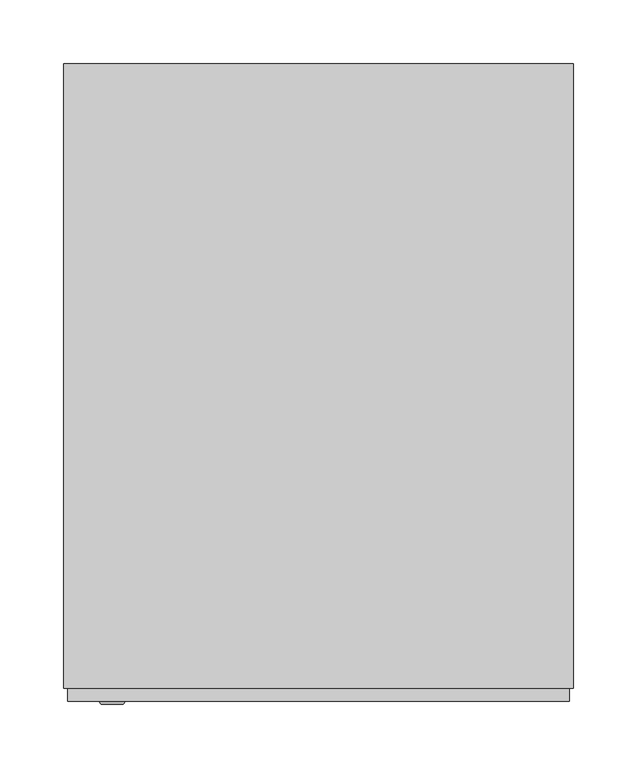
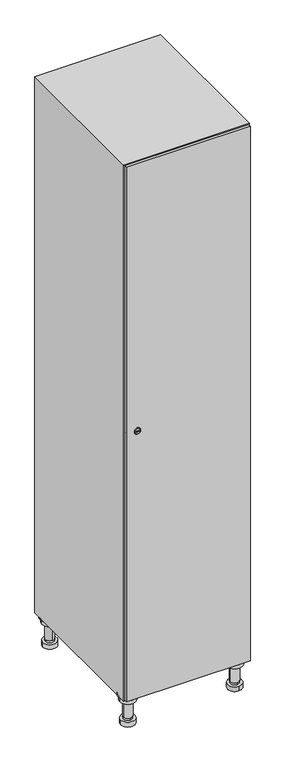
"""IFC4 building model written with IfcOpenShell, lengths in millimetres: furniture geometry."""

from ifc_helpers import new_model, si_unit, point, frame, frame_2d, origin, place, context, project, spatial, polyline, circle_curve, trimmed, segment, composite_curve, outline, extrude, faceted_brep, source, transform, mapped, element, save
from ifc_brep_helpers import plane_surface, cylinder_surface, revolved_surface, advanced_brep


def furniture_05954bba(model_context):
    return source(origin(), model_context, "Body", "SolidModel", [
        advanced_brep(
        [(170.0, -201.0, 22.0), (170.0, -201.5, 16.0), (170.0, -228.5, 16.0), (170.0, -229.0, 22.0), (156.0, -215.0, 22.0), (184.0, -215.0, 22.0), (170.0, -192.5, 16.0), (170.0, -237.5, 16.0), (170.0, -192.5, 0.0), (170.0, -237.5, 0.0), (184.0, -215.0, 78.0), (156.0, -215.0, 78.0), (195.0, -215.0, 78.0), (145.0, -215.0, 78.0), (200.0, -215.0, 94.0), (140.0, -215.0, 94.0), (145.0, -215.0, 94.0), (195.0, -215.0, 94.0), (200.0, -215.0, 100.0), (140.0, -215.0, 100.0)],
        [
            (0, 1),
            (1, 2, circle_curve(frame((170.0, -215.0, 16.0), z_axis=(0.0, 0.0, 1.0), x_axis=(0.0, -1.0, 0.0)), 13.5)),
            (2, 3),
            (3, 4, circle_curve(frame((170.0, -215.0, 22.0), z_axis=(0.0, 0.0, -1.0), x_axis=(0.0, -1.0, 0.0)), 14.0)),
            (4, 0, circle_curve(frame((170.0, -215.0, 22.0), z_axis=(0.0, 0.0, -1.0), x_axis=(0.0, -1.0, 0.0)), 14.0)),
            (0, 5, circle_curve(frame((170.0, -215.0, 22.0), z_axis=(0.0, 0.0, -1.0), x_axis=(0.0, 1.0, 0.0)), 14.0)),
            (5, 3, circle_curve(frame((170.0, -215.0, 22.0), z_axis=(0.0, 0.0, -1.0), x_axis=(0.0, 1.0, 0.0)), 14.0)),
            (2, 1, circle_curve(frame((170.0, -215.0, 16.0), z_axis=(0.0, 0.0, 1.0), x_axis=(0.0, 1.0, 0.0)), 13.5)),
            (6, 7, circle_curve(frame((170.0, -215.0, 16.0), z_axis=(0.0, 0.0, 1.0), x_axis=(0.0, -1.0, 0.0)), 22.5)),
            (7, 6, circle_curve(frame((170.0, -215.0, 16.0), z_axis=(0.0, 0.0, 1.0), x_axis=(0.0, -1.0, 0.0)), 22.5)),
            (8, 9, circle_curve(frame((170.0, -215.0, 0.0), z_axis=(0.0, 0.0, -1.0), x_axis=(0.0, -1.0, 0.0)), 22.5)),
            (9, 8, circle_curve(frame((170.0, -215.0, 0.0), z_axis=(0.0, 0.0, -1.0), x_axis=(0.0, -1.0, 0.0)), 22.5)),
            (6, 8),
            (9, 7),
            (5, 10),
            (10, 11, circle_curve(frame((170.0, -215.0, 78.0), z_axis=(0.0, 0.0, -1.0), x_axis=(-1.0, 0.0, 0.0)), 14.0)),
            (11, 4),
            (11, 10, circle_curve(frame((170.0, -215.0, 78.0), z_axis=(0.0, 0.0, -1.0), x_axis=(-1.0, 0.0, 0.0)), 14.0)),
            (12, 13, circle_curve(frame((170.0, -215.0, 78.0), z_axis=(0.0, 0.0, -1.0), x_axis=(-1.0, 0.0, 0.0)), 25.0)),
            (13, 12, circle_curve(frame((170.0, -215.0, 78.0), z_axis=(0.0, 0.0, -1.0), x_axis=(-1.0, 0.0, 0.0)), 25.0)),
            (14, 15, circle_curve(frame((170.0, -215.0, 94.0), z_axis=(0.0, 0.0, -1.0), x_axis=(-1.0, 0.0, 0.0)), 30.0)),
            (15, 14, circle_curve(frame((170.0, -215.0, 94.0), z_axis=(0.0, 0.0, -1.0), x_axis=(-1.0, 0.0, 0.0)), 30.0)),
            (16, 17, circle_curve(frame((170.0, -215.0, 94.0), z_axis=(0.0, 0.0, 1.0), x_axis=(-1.0, 0.0, 0.0)), 25.0)),
            (17, 16, circle_curve(frame((170.0, -215.0, 94.0), z_axis=(0.0, 0.0, 1.0), x_axis=(-1.0, 0.0, 0.0)), 25.0)),
            (18, 19, circle_curve(frame((170.0, -215.0, 100.0), z_axis=(0.0, 0.0, 1.0), x_axis=(-1.0, 0.0, 0.0)), 30.0)),
            (19, 18, circle_curve(frame((170.0, -215.0, 100.0), z_axis=(0.0, 0.0, 1.0), x_axis=(-1.0, 0.0, 0.0)), 30.0)),
            (14, 18),
            (19, 15),
            (12, 17),
            (16, 13),
        ],
        [
            revolved_surface(polyline([(170.0, -201.5, 16.0), (170.0, -201.0, 22.0)]), (170.0, -215.0, -146.0), (0.0, 0.0, 1.0)),
            plane_surface(frame((170.0, 0.0, 16.0), z_axis=(0.0, 0.0, 1.0), x_axis=(0.0, -1.0, 0.0))),
            plane_surface(frame((170.0, 0.0, 0.0), z_axis=(0.0, 0.0, -1.0), x_axis=(0.0, -1.0, 0.0))),
            cylinder_surface(frame((170.0, -215.0, 16.0), z_axis=(0.0, 0.0, 1.0), x_axis=(0.0, -1.0, 0.0)), 22.5),
            cylinder_surface(frame((170.0, -215.0, 22.0), z_axis=(0.0, 0.0, -1.0), x_axis=(-1.0, 0.0, 0.0)), 14.0),
            plane_surface(frame((170.0, 0.0, 78.0), z_axis=(0.0, 0.0, -1.0), x_axis=(0.0, -1.0, 0.0))),
            plane_surface(frame((170.0, 0.0, 94.0), z_axis=(0.0, 0.0, -1.0), x_axis=(0.0, -1.0, 0.0))),
            plane_surface(frame((170.0, 0.0, 100.0), z_axis=(0.0, 0.0, 1.0), x_axis=(0.0, -1.0, 0.0))),
            cylinder_surface(frame((170.0, -215.0, 94.0), z_axis=(0.0, 0.0, -1.0), x_axis=(-1.0, 0.0, 0.0)), 30.0),
            cylinder_surface(frame((170.0, -215.0, 78.0), z_axis=(0.0, 0.0, -1.0), x_axis=(-1.0, 0.0, 0.0)), 25.0),
        ],
        [
            (0, [[1, 2, 3, 4, 5]]),
            (0, [[-1, 6, 7, -3, 8]]),
            (1, [[9, 10], [-2, -8]]),
            (2, [[11, 12]]),
            (3, [[-9, 13, -12, 14]]),
            (3, [[-10, -14, -11, -13]]),
            (4, [[15, 16, 17, -4, -7]]),
            (4, [[-15, -6, -5, -17, 18]]),
            (5, [[19, 20], [-16, -18]]),
            (6, [[21, 22], [23, 24]]),
            (7, [[25, 26]]),
            (8, [[-21, 27, -26, 28]]),
            (8, [[-22, -28, -25, -27]]),
            (9, [[-19, 29, -23, 30]]),
            (9, [[-20, -30, -24, -29]]),
        ],
    ),
        advanced_brep(
        [(-170.0, -201.0, 22.0), (-170.0, -201.5, 16.0), (-170.0, -228.5, 16.0), (-170.0, -229.0, 22.0), (-184.0, -215.0, 22.0), (-156.0, -215.0, 22.0), (-147.5, -215.0, 0.0), (-192.5, -215.0, 0.0), (-147.5, -215.0, 16.0), (-192.5, -215.0, 16.0), (-156.0, -215.0, 78.0), (-184.0, -215.0, 78.0), (-145.0, -215.0, 78.0), (-195.0, -215.0, 78.0), (-140.0, -215.0, 94.0), (-200.0, -215.0, 94.0), (-195.0, -215.0, 94.0), (-145.0, -215.0, 94.0), (-140.0, -215.0, 100.0), (-200.0, -215.0, 100.0)],
        [
            (0, 1),
            (1, 2, circle_curve(frame((-170.0, -215.0, 16.0), z_axis=(0.0, 0.0, 1.0), x_axis=(0.0, -1.0, 0.0)), 13.5)),
            (2, 3),
            (3, 4, circle_curve(frame((-170.0, -215.0, 22.0), z_axis=(0.0, 0.0, -1.0), x_axis=(0.0, -1.0, 0.0)), 14.0)),
            (4, 0, circle_curve(frame((-170.0, -215.0, 22.0), z_axis=(0.0, 0.0, -1.0), x_axis=(0.0, -1.0, 0.0)), 14.0)),
            (0, 5, circle_curve(frame((-170.0, -215.0, 22.0), z_axis=(0.0, 0.0, -1.0), x_axis=(0.0, 1.0, 0.0)), 14.0)),
            (5, 3, circle_curve(frame((-170.0, -215.0, 22.0), z_axis=(0.0, 0.0, -1.0), x_axis=(0.0, 1.0, 0.0)), 14.0)),
            (2, 1, circle_curve(frame((-170.0, -215.0, 16.0), z_axis=(0.0, 0.0, 1.0), x_axis=(0.0, 1.0, 0.0)), 13.5)),
            (6, 7, circle_curve(frame((-170.0, -215.0, 0.0), z_axis=(0.0, 0.0, -1.0), x_axis=(-1.0, 0.0, 0.0)), 22.5)),
            (7, 6, circle_curve(frame((-170.0, -215.0, 0.0), z_axis=(0.0, 0.0, -1.0), x_axis=(-1.0, 0.0, 0.0)), 22.5)),
            (8, 9, circle_curve(frame((-170.0, -215.0, 16.0), z_axis=(0.0, 0.0, 1.0), x_axis=(-1.0, 0.0, 0.0)), 22.5)),
            (9, 8, circle_curve(frame((-170.0, -215.0, 16.0), z_axis=(0.0, 0.0, 1.0), x_axis=(-1.0, 0.0, 0.0)), 22.5)),
            (6, 8),
            (9, 7),
            (5, 10),
            (10, 11, circle_curve(frame((-170.0, -215.0, 78.0), z_axis=(0.0, 0.0, -1.0), x_axis=(-1.0, 0.0, 0.0)), 14.0)),
            (11, 4),
            (11, 10, circle_curve(frame((-170.0, -215.0, 78.0), z_axis=(0.0, 0.0, -1.0), x_axis=(-1.0, 0.0, 0.0)), 14.0)),
            (12, 13, circle_curve(frame((-170.0, -215.0, 78.0), z_axis=(0.0, 0.0, -1.0), x_axis=(-1.0, 0.0, 0.0)), 25.0)),
            (13, 12, circle_curve(frame((-170.0, -215.0, 78.0), z_axis=(0.0, 0.0, -1.0), x_axis=(-1.0, 0.0, 0.0)), 25.0)),
            (14, 15, circle_curve(frame((-170.0, -215.0, 94.0), z_axis=(0.0, 0.0, -1.0), x_axis=(-1.0, 0.0, 0.0)), 30.0)),
            (15, 14, circle_curve(frame((-170.0, -215.0, 94.0), z_axis=(0.0, 0.0, -1.0), x_axis=(-1.0, 0.0, 0.0)), 30.0)),
            (16, 17, circle_curve(frame((-170.0, -215.0, 94.0), z_axis=(0.0, 0.0, 1.0), x_axis=(-1.0, 0.0, 0.0)), 25.0)),
            (17, 16, circle_curve(frame((-170.0, -215.0, 94.0), z_axis=(0.0, 0.0, 1.0), x_axis=(-1.0, 0.0, 0.0)), 25.0)),
            (18, 19, circle_curve(frame((-170.0, -215.0, 100.0), z_axis=(0.0, 0.0, 1.0), x_axis=(-1.0, 0.0, 0.0)), 30.0)),
            (19, 18, circle_curve(frame((-170.0, -215.0, 100.0), z_axis=(0.0, 0.0, 1.0), x_axis=(-1.0, 0.0, 0.0)), 30.0)),
            (14, 18),
            (19, 15),
            (12, 17),
            (16, 13),
        ],
        [
            revolved_surface(polyline([(-170.0, -201.5, 16.0), (-170.0, -201.0, 22.0)]), (-170.0, -215.0, -146.0), (0.0, 0.0, 1.0)),
            plane_surface(frame((-170.0, 0.0, 0.0), z_axis=(0.0, 0.0, -1.0), x_axis=(0.0, -1.0, 0.0))),
            plane_surface(frame((-170.0, 0.0, 16.0), z_axis=(0.0, 0.0, 1.0), x_axis=(0.0, -1.0, 0.0))),
            cylinder_surface(frame((-170.0, -215.0, 0.0), z_axis=(0.0, 0.0, -1.0), x_axis=(-1.0, 0.0, 0.0)), 22.5),
            cylinder_surface(frame((-170.0, -215.0, 22.0), z_axis=(0.0, 0.0, -1.0), x_axis=(-1.0, 0.0, 0.0)), 14.0),
            plane_surface(frame((-170.0, 0.0, 78.0), z_axis=(0.0, 0.0, -1.0), x_axis=(0.0, -1.0, 0.0))),
            plane_surface(frame((-170.0, 0.0, 94.0), z_axis=(0.0, 0.0, -1.0), x_axis=(0.0, -1.0, 0.0))),
            plane_surface(frame((-170.0, 0.0, 100.0), z_axis=(0.0, 0.0, 1.0), x_axis=(0.0, -1.0, 0.0))),
            cylinder_surface(frame((-170.0, -215.0, 94.0), z_axis=(0.0, 0.0, -1.0), x_axis=(-1.0, 0.0, 0.0)), 30.0),
            cylinder_surface(frame((-170.0, -215.0, 78.0), z_axis=(0.0, 0.0, -1.0), x_axis=(-1.0, 0.0, 0.0)), 25.0),
        ],
        [
            (0, [[1, 2, 3, 4, 5]]),
            (0, [[-1, 6, 7, -3, 8]]),
            (1, [[9, 10]]),
            (2, [[11, 12], [-2, -8]]),
            (3, [[-9, 13, -12, 14]]),
            (3, [[-10, -14, -11, -13]]),
            (4, [[15, 16, 17, -4, -7]]),
            (4, [[-15, -6, -5, -17, 18]]),
            (5, [[19, 20], [-16, -18]]),
            (6, [[21, 22], [23, 24]]),
            (7, [[25, 26]]),
            (8, [[-21, 27, -26, 28]]),
            (8, [[-22, -28, -25, -27]]),
            (9, [[-19, 29, -23, 30]]),
            (9, [[-20, -30, -24, -29]]),
        ],
    ),
        advanced_brep(
        [(183.5, 215.0, 16.0), (184.0, 215.0, 22.0), (156.0, 215.0, 22.0), (156.5, 215.0, 16.0), (192.5, 215.0, 0.0), (147.5, 215.0, 0.0), (192.5, 215.0, 16.0), (147.5, 215.0, 16.0), (184.0, 215.0, 78.0), (156.0, 215.0, 78.0), (195.0, 215.0, 78.0), (145.0, 215.0, 78.0), (200.0, 215.0, 94.0), (140.0, 215.0, 94.0), (145.0, 215.0, 94.0), (195.0, 215.0, 94.0), (200.0, 215.0, 100.0), (140.0, 215.0, 100.0)],
        [
            (0, 1),
            (1, 2, circle_curve(frame((170.0, 215.0, 22.0), z_axis=(0.0, 0.0, -1.0), x_axis=(-1.0, 0.0, 0.0)), 14.0)),
            (2, 3),
            (3, 0, circle_curve(frame((170.0, 215.0, 16.0), z_axis=(0.0, 0.0, 1.0), x_axis=(-1.0, 0.0, 0.0)), 13.5)),
            (0, 3, circle_curve(frame((170.0, 215.0, 16.0), z_axis=(0.0, 0.0, 1.0), x_axis=(1.0, 0.0, 0.0)), 13.5)),
            (2, 1, circle_curve(frame((170.0, 215.0, 22.0), z_axis=(0.0, 0.0, -1.0), x_axis=(1.0, 0.0, 0.0)), 14.0)),
            (4, 5, circle_curve(frame((170.0, 215.0, 0.0), z_axis=(0.0, 0.0, -1.0), x_axis=(-1.0, 0.0, 0.0)), 22.5)),
            (5, 4, circle_curve(frame((170.0, 215.0, 0.0), z_axis=(0.0, 0.0, -1.0), x_axis=(-1.0, 0.0, 0.0)), 22.5)),
            (6, 7, circle_curve(frame((170.0, 215.0, 16.0), z_axis=(0.0, 0.0, 1.0), x_axis=(-1.0, 0.0, 0.0)), 22.5)),
            (7, 6, circle_curve(frame((170.0, 215.0, 16.0), z_axis=(0.0, 0.0, 1.0), x_axis=(-1.0, 0.0, 0.0)), 22.5)),
            (4, 6),
            (7, 5),
            (1, 8),
            (8, 9, circle_curve(frame((170.0, 215.0, 78.0), z_axis=(0.0, 0.0, -1.0), x_axis=(-1.0, 0.0, 0.0)), 14.0)),
            (9, 2),
            (9, 8, circle_curve(frame((170.0, 215.0, 78.0), z_axis=(0.0, 0.0, -1.0), x_axis=(-1.0, 0.0, 0.0)), 14.0)),
            (10, 11, circle_curve(frame((170.0, 215.0, 78.0), z_axis=(0.0, 0.0, -1.0), x_axis=(-1.0, 0.0, 0.0)), 25.0)),
            (11, 10, circle_curve(frame((170.0, 215.0, 78.0), z_axis=(0.0, 0.0, -1.0), x_axis=(-1.0, 0.0, 0.0)), 25.0)),
            (12, 13, circle_curve(frame((170.0, 215.0, 94.0), z_axis=(0.0, 0.0, -1.0), x_axis=(-1.0, 0.0, 0.0)), 30.0)),
            (13, 12, circle_curve(frame((170.0, 215.0, 94.0), z_axis=(0.0, 0.0, -1.0), x_axis=(-1.0, 0.0, 0.0)), 30.0)),
            (14, 15, circle_curve(frame((170.0, 215.0, 94.0), z_axis=(0.0, 0.0, 1.0), x_axis=(-1.0, 0.0, 0.0)), 25.0)),
            (15, 14, circle_curve(frame((170.0, 215.0, 94.0), z_axis=(0.0, 0.0, 1.0), x_axis=(-1.0, 0.0, 0.0)), 25.0)),
            (16, 17, circle_curve(frame((170.0, 215.0, 100.0), z_axis=(0.0, 0.0, 1.0), x_axis=(-1.0, 0.0, 0.0)), 30.0)),
            (17, 16, circle_curve(frame((170.0, 215.0, 100.0), z_axis=(0.0, 0.0, 1.0), x_axis=(-1.0, 0.0, 0.0)), 30.0)),
            (12, 16),
            (17, 13),
            (10, 15),
            (14, 11),
        ],
        [
            revolved_surface(polyline([(183.5, 215.0, 16.0), (184.0, 215.0, 22.0)]), (170.0, 215.0, -146.0), (0.0, 0.0, 1.0)),
            plane_surface(frame((170.0, 0.0, 0.0), z_axis=(0.0, 0.0, -1.0), x_axis=(0.0, -1.0, 0.0))),
            plane_surface(frame((170.0, 0.0, 16.0), z_axis=(0.0, 0.0, 1.0), x_axis=(0.0, -1.0, 0.0))),
            cylinder_surface(frame((170.0, 215.0, 0.0), z_axis=(0.0, 0.0, -1.0), x_axis=(-1.0, 0.0, 0.0)), 22.5),
            cylinder_surface(frame((170.0, 215.0, 22.0), z_axis=(0.0, 0.0, -1.0), x_axis=(-1.0, 0.0, 0.0)), 14.0),
            plane_surface(frame((170.0, 0.0, 78.0), z_axis=(0.0, 0.0, -1.0), x_axis=(0.0, -1.0, 0.0))),
            plane_surface(frame((170.0, 0.0, 94.0), z_axis=(0.0, 0.0, -1.0), x_axis=(0.0, -1.0, 0.0))),
            plane_surface(frame((170.0, 0.0, 100.0), z_axis=(0.0, 0.0, 1.0), x_axis=(0.0, -1.0, 0.0))),
            cylinder_surface(frame((170.0, 215.0, 94.0), z_axis=(0.0, 0.0, -1.0), x_axis=(-1.0, 0.0, 0.0)), 30.0),
            cylinder_surface(frame((170.0, 215.0, 78.0), z_axis=(0.0, 0.0, -1.0), x_axis=(-1.0, 0.0, 0.0)), 25.0),
        ],
        [
            (0, [[1, 2, 3, 4]]),
            (0, [[-1, 5, -3, 6]]),
            (1, [[7, 8]]),
            (2, [[9, 10], [-4, -5]]),
            (3, [[-7, 11, -10, 12]]),
            (3, [[-8, -12, -9, -11]]),
            (4, [[13, 14, 15, -2]]),
            (4, [[-13, -6, -15, 16]]),
            (5, [[17, 18], [-14, -16]]),
            (6, [[19, 20], [21, 22]]),
            (7, [[23, 24]]),
            (8, [[-19, 25, -24, 26]]),
            (8, [[-20, -26, -23, -25]]),
            (9, [[-17, 27, -21, 28]]),
            (9, [[-18, -28, -22, -27]]),
        ],
    ),
        advanced_brep(
        [(-156.5, 215.0, 16.0), (-156.0, 215.0, 22.0), (-170.0, 201.0, 22.0), (-184.0, 215.0, 22.0), (-183.5, 215.0, 16.0), (-170.0, 229.0, 22.0), (-147.5, 215.0, 0.0), (-192.5, 215.0, 0.0), (-147.5, 215.0, 16.0), (-192.5, 215.0, 16.0), (-170.0, 229.0, 78.0), (-170.0, 201.0, 78.0), (-145.0, 215.0, 78.0), (-195.0, 215.0, 78.0), (-140.0, 215.0, 94.0), (-200.0, 215.0, 94.0), (-195.0, 215.0, 94.0), (-145.0, 215.0, 94.0), (-140.0, 215.0, 100.0), (-200.0, 215.0, 100.0)],
        [
            (0, 1),
            (1, 2, circle_curve(frame((-170.0, 215.0, 22.0), z_axis=(0.0, 0.0, -1.0), x_axis=(-1.0, 0.0, 0.0)), 14.0)),
            (2, 3, circle_curve(frame((-170.0, 215.0, 22.0), z_axis=(0.0, 0.0, -1.0), x_axis=(-1.0, 0.0, 0.0)), 14.0)),
            (3, 4),
            (4, 0, circle_curve(frame((-170.0, 215.0, 16.0), z_axis=(0.0, 0.0, 1.0), x_axis=(-1.0, 0.0, 0.0)), 13.5)),
            (0, 4, circle_curve(frame((-170.0, 215.0, 16.0), z_axis=(0.0, 0.0, 1.0), x_axis=(1.0, 0.0, 0.0)), 13.5)),
            (3, 5, circle_curve(frame((-170.0, 215.0, 22.0), z_axis=(0.0, 0.0, -1.0), x_axis=(1.0, 0.0, 0.0)), 14.0)),
            (5, 1, circle_curve(frame((-170.0, 215.0, 22.0), z_axis=(0.0, 0.0, -1.0), x_axis=(1.0, 0.0, 0.0)), 14.0)),
            (6, 7, circle_curve(frame((-170.0, 215.0, 0.0), z_axis=(0.0, 0.0, -1.0), x_axis=(-1.0, 0.0, 0.0)), 22.5)),
            (7, 6, circle_curve(frame((-170.0, 215.0, 0.0), z_axis=(0.0, 0.0, -1.0), x_axis=(-1.0, 0.0, 0.0)), 22.5)),
            (8, 9, circle_curve(frame((-170.0, 215.0, 16.0), z_axis=(0.0, 0.0, 1.0), x_axis=(-1.0, 0.0, 0.0)), 22.5)),
            (9, 8, circle_curve(frame((-170.0, 215.0, 16.0), z_axis=(0.0, 0.0, 1.0), x_axis=(-1.0, 0.0, 0.0)), 22.5)),
            (6, 8),
            (9, 7),
            (10, 5),
            (2, 11),
            (11, 10, circle_curve(frame((-170.0, 215.0, 78.0), z_axis=(0.0, 0.0, -1.0), x_axis=(0.0, -1.0, 0.0)), 14.0)),
            (10, 11, circle_curve(frame((-170.0, 215.0, 78.0), z_axis=(0.0, 0.0, -1.0), x_axis=(0.0, -1.0, 0.0)), 14.0)),
            (12, 13, circle_curve(frame((-170.0, 215.0, 78.0), z_axis=(0.0, 0.0, -1.0), x_axis=(-1.0, 0.0, 0.0)), 25.0)),
            (13, 12, circle_curve(frame((-170.0, 215.0, 78.0), z_axis=(0.0, 0.0, -1.0), x_axis=(-1.0, 0.0, 0.0)), 25.0)),
            (14, 15, circle_curve(frame((-170.0, 215.0, 94.0), z_axis=(0.0, 0.0, -1.0), x_axis=(-1.0, 0.0, 0.0)), 30.0)),
            (15, 14, circle_curve(frame((-170.0, 215.0, 94.0), z_axis=(0.0, 0.0, -1.0), x_axis=(-1.0, 0.0, 0.0)), 30.0)),
            (16, 17, circle_curve(frame((-170.0, 215.0, 94.0), z_axis=(0.0, 0.0, 1.0), x_axis=(-1.0, 0.0, 0.0)), 25.0)),
            (17, 16, circle_curve(frame((-170.0, 215.0, 94.0), z_axis=(0.0, 0.0, 1.0), x_axis=(-1.0, 0.0, 0.0)), 25.0)),
            (18, 19, circle_curve(frame((-170.0, 215.0, 100.0), z_axis=(0.0, 0.0, 1.0), x_axis=(-1.0, 0.0, 0.0)), 30.0)),
            (19, 18, circle_curve(frame((-170.0, 215.0, 100.0), z_axis=(0.0, 0.0, 1.0), x_axis=(-1.0, 0.0, 0.0)), 30.0)),
            (14, 18),
            (19, 15),
            (12, 17),
            (16, 13),
        ],
        [
            revolved_surface(polyline([(-156.5, 215.0, 16.0), (-156.0, 215.0, 22.0)]), (-170.0, 215.0, -146.0), (0.0, 0.0, 1.0)),
            plane_surface(frame((-170.0, 0.0, 0.0), z_axis=(0.0, 0.0, -1.0), x_axis=(0.0, -1.0, 0.0))),
            plane_surface(frame((-170.0, 0.0, 16.0), z_axis=(0.0, 0.0, 1.0), x_axis=(0.0, -1.0, 0.0))),
            cylinder_surface(frame((-170.0, 215.0, 0.0), z_axis=(0.0, 0.0, -1.0), x_axis=(-1.0, 0.0, 0.0)), 22.5),
            cylinder_surface(frame((-170.0, 215.0, 78.0), z_axis=(0.0, 0.0, 1.0), x_axis=(0.0, -1.0, 0.0)), 14.0),
            plane_surface(frame((-170.0, 0.0, 78.0), z_axis=(0.0, 0.0, -1.0), x_axis=(0.0, -1.0, 0.0))),
            plane_surface(frame((-170.0, 0.0, 94.0), z_axis=(0.0, 0.0, -1.0), x_axis=(0.0, -1.0, 0.0))),
            plane_surface(frame((-170.0, 0.0, 100.0), z_axis=(0.0, 0.0, 1.0), x_axis=(0.0, -1.0, 0.0))),
            cylinder_surface(frame((-170.0, 215.0, 94.0), z_axis=(0.0, 0.0, -1.0), x_axis=(-1.0, 0.0, 0.0)), 30.0),
            cylinder_surface(frame((-170.0, 215.0, 78.0), z_axis=(0.0, 0.0, -1.0), x_axis=(-1.0, 0.0, 0.0)), 25.0),
        ],
        [
            (0, [[1, 2, 3, 4, 5]]),
            (0, [[-1, 6, -4, 7, 8]]),
            (1, [[9, 10]]),
            (2, [[11, 12], [-5, -6]]),
            (3, [[-9, 13, -12, 14]]),
            (3, [[-10, -14, -11, -13]]),
            (4, [[15, -7, -3, 16, 17]]),
            (4, [[-15, 18, -16, -2, -8]]),
            (5, [[19, 20], [-17, -18]]),
            (6, [[21, 22], [23, 24]]),
            (7, [[25, 26]]),
            (8, [[-21, 27, -26, 28]]),
            (8, [[-22, -28, -25, -27]]),
            (9, [[-19, 29, -23, 30]]),
            (9, [[-20, -30, -24, -29]]),
        ],
    ),
        extrude(outline(composite_curve([segment(trimmed(circle_curve(frame_2d((1000.0, -188.7989466)), 7.0), [point((1007.0, -188.7989466))], [point((993.0, -188.7989466))], False, "CARTESIAN"), True, "CONTINUOUS"), segment(polyline([(993.0, -188.7989466), (993.0, -160.7989466)]), True, "CONTINUOUS"), segment(trimmed(circle_curve(frame_2d((1000.0, -160.7989466)), 7.0), [point((993.0, -160.7989466))], [point((1007.0, -160.7989466))], False, "CARTESIAN"), True, "CONTINUOUS"), segment(polyline([(1007.0, -160.7989466), (1007.0, -188.7989466)]), True, "CONTINUOUS")], self_intersect=False)), frame((0.0, -245.0, 0.0), z_axis=(0.0, 1.0, 0.0), x_axis=(0.0, 0.0, 1.0)), (0.0, 0.0, 1.0), 2.0),
        advanced_brep(
        [(-153.5, -257.2, 1000.0), (-170.5, -257.2, 1000.0), (-167.0, -257.2, 998.75), (-167.0, -257.2, 1001.25), (-157.0, -257.2, 1001.25), (-157.0, -257.2, 998.75), (-151.5, -255.0, 1000.0), (-172.5, -255.0, 1000.0), (-167.0, -255.0, 1001.25), (-167.0, -255.0, 998.75), (-157.0, -255.0, 998.75), (-157.0, -255.0, 1001.25)],
        [
            (0, 1, circle_curve(frame((-162.0, -257.2, 1000.0), z_axis=(0.0, -1.0, 0.0), x_axis=(1.0, 0.0, 0.0)), 8.5)),
            (1, 0, circle_curve(frame((-162.0, -257.2, 1000.0), z_axis=(0.0, -1.0, 0.0), x_axis=(-1.0, 0.0, 0.0)), 8.5)),
            (2, 3),
            (3, 4),
            (4, 5),
            (5, 2),
            (6, 7, circle_curve(frame((-162.0, -255.0, 1000.0), z_axis=(0.0, 1.0, 0.0), x_axis=(-1.0, 0.0, 0.0)), 10.5)),
            (7, 6, circle_curve(frame((-162.0, -255.0, 1000.0), z_axis=(0.0, 1.0, 0.0), x_axis=(1.0, 0.0, 0.0)), 10.5)),
            (8, 9),
            (9, 10),
            (10, 11),
            (11, 8),
            (0, 6),
            (7, 1),
            (8, 3),
            (2, 9),
            (11, 4),
            (10, 5),
        ],
        [
            plane_surface(frame((-162.0, -257.2, 1000.0), z_axis=(0.0, -1.0, 0.0), x_axis=(0.0, 0.0, 1.0))),
            plane_surface(frame((-162.0, -255.0, 1000.0), z_axis=(0.0, 1.0, 0.0), x_axis=(0.0, 0.0, 1.0))),
            revolved_surface(polyline([(-153.5, -257.2, 1000.0), (-151.5, -255.0, 1000.0)]), (-162.0, -266.55, 1000.0), (0.0, 1.0, 0.0)),
            revolved_surface(polyline([(-170.5, -257.2, 1000.0), (-172.5, -255.0, 1000.0)]), (-162.0, -266.55, 1000.0), (0.0, 1.0, 0.0)),
            plane_surface(frame((-167.0, -255.0, 998.75), z_axis=(1.0, 0.0, 0.0), x_axis=(0.0, -1.0, 0.0))),
            plane_surface(frame((-167.0, -255.0, 1001.25), z_axis=(0.0, 0.0, -1.0), x_axis=(0.0, -1.0, 0.0))),
            plane_surface(frame((-157.0, -255.0, 1001.25), z_axis=(-1.0, 0.0, 0.0), x_axis=(0.0, -1.0, 0.0))),
            plane_surface(frame((-157.0, -255.0, 998.75), z_axis=(0.0, 0.0, 1.0), x_axis=(0.0, -1.0, 0.0))),
        ],
        [
            (0, [[1, 2], [3, 4, 5, 6]]),
            (1, [[7, 8], [9, 10, 11, 12]]),
            (2, [[-1, 13, -8, 14]]),
            (3, [[-2, -14, -7, -13]]),
            (4, [[15, -3, 16, -9]]),
            (5, [[-15, -12, 17, -4]]),
            (6, [[-17, -11, 18, -5]]),
            (7, [[-16, -6, -18, -10]]),
        ],
    ),
        extrude(outline(polyline([(197.0, -245.0), (197.0, -255.0), (-197.0, -255.0), (-197.0, -245.0), (197.0, -245.0)])), frame((0.0, 0.0, 103.0), z_axis=(0.0, 0.0, 1.0), x_axis=(1.0, 0.0, 0.0)), (0.0, 0.0, 1.0), 1794.0),
        faceted_brep([(200.0, -245.0, 100.0), (200.0, -245.0, 1900.0), (-200.0, -245.0, 1900.0), (-200.0, -245.0, 100.0), (190.0, -245.0, 1890.0), (190.0, -245.0, 110.0), (-190.0, -245.0, 110.0), (-190.0, -245.0, 1890.0), (200.0, 245.0, 100.0), (-200.0, 245.0, 100.0), (200.0, 245.0, 1900.0), (-200.0, 245.0, 1900.0), (190.0, 241.0, 1890.0), (190.0, 241.0, 110.0), (-200.0, 245.0, 1890.0), (-190.0, 241.0, 1890.0), (-190.0, 241.0, 110.0)], [[[0, 1, 2, 3], [4, 5, 6, 7]], [[8, 0, 3, 9]], [[1, 0, 8, 10]], [[1, 10, 11, 2]], [[4, 12, 13, 5]], [[9, 3, 2, 11, 14]], [[10, 8, 9, 14, 11]], [[12, 15, 16, 13]], [[15, 7, 6, 16]], [[4, 7, 15, 12]], [[6, 5, 13, 16]]]),
    ])


if __name__ == "__main__":
    model = new_model("IFC4")
    model_context = context("Model", 3, world=origin())
    ifc_project = project(units=[si_unit("LENGTHUNIT", "METRE", prefix="MILLI")], contexts=[model_context])
    site = spatial("IfcSite", under=ifc_project)
    building = spatial("IfcBuilding", under=site)
    placement = place(None, origin())
    furniture_shape = furniture_05954bba(model_context)
    element("IfcFurniture", 1, at=placement, inside=building, context=model_context, shape_type="MappedRepresentation", body=[
        mapped(furniture_shape, transform((0.0, 0.0, 0.0), x_axis=(1.0, 0.0, 0.0), y_axis=(0.0, 1.0, 0.0), z_axis=(0.0, 0.0, 1.0))),
    ])
    save(model, "model.ifc")
